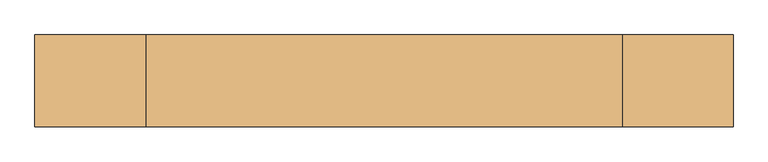
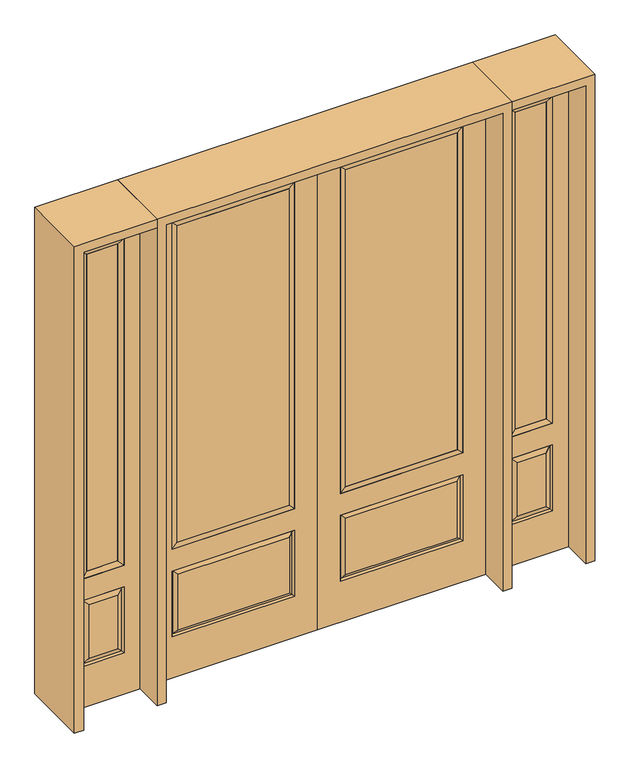
"""IFC4 building model written with IfcOpenShell, lengths in millimetres: door geometry."""

from ifc_helpers import new_model, si_unit, frame, origin, place, context, project, spatial, polyline, outline, extrude, faceted_brep, source, transform, mapped, element, save


def door_90a93804(model_context):
    return source(origin(), model_context, "Body", "SolidModel", [
        extrude(outline(polyline([(136.525, -20.32), (136.525, 5.08), (676.275, 5.08), (676.275, -20.32), (136.525, -20.32)])), frame((0.0, 0.0, 682.498), z_axis=(0.0, 0.0, 1.0), x_axis=(1.0, 0.0, 0.0)), (0.0, 0.0, 1.0), 1616.202),
        faceted_brep([(694.5661499, -12.7912373, 216.6588501), (677.06875, -22.225, 234.15625), (135.73125, -22.225, 234.15625), (118.2338501, -12.7912373, 216.6588501), (111.125, -22.225, 209.55), (701.675, -22.225, 209.55), (701.675, -22.225, 546.1), (694.5661499, -12.7912373, 538.9911499), (0.0, -22.225, 2438.4), (0.0, -22.225, 0.0), (812.8, -22.225, 0.0), (812.8, -22.225, 2438.4), (111.125, -22.225, 546.1), (111.125, -22.225, 2324.1), (701.675, -22.225, 2324.1), (701.675, -22.225, 657.098), (111.125, -22.225, 657.098), (677.06875, -22.225, 521.49375), (135.73125, -22.225, 521.49375), (118.2338501, -12.7912373, 538.9911499), (812.8, 22.225, 0.0), (812.8, 22.225, 2438.4), (0.0, 22.225, 0.0), (0.0, 22.225, 2438.4), (111.125, 22.225, 657.098), (111.125, 22.225, 2324.1), (701.675, 22.225, 657.098), (701.675, 22.225, 2324.1), (135.73125, 22.225, 234.15625), (135.73125, 22.225, 521.49375), (677.06875, 22.225, 521.49375), (677.06875, 22.225, 234.15625), (701.675, 22.225, 209.55), (701.675, 22.225, 546.1), (111.125, 22.225, 546.1), (111.125, 22.225, 209.55), (118.2338501, 12.7912373, 216.6588501), (694.5661499, 12.7912373, 216.6588501), (118.2338501, 12.7912373, 538.9911499), (694.5661499, 12.7912373, 538.9911499)], [[[0, 1, 2, 3]], [[3, 4, 5, 0]], [[5, 6, 7, 0]], [[8, 9, 10, 11], [4, 12, 6, 5], [13, 14, 15, 16]], [[1, 17, 18, 2]], [[3, 19, 12, 4]], [[2, 18, 19, 3]], [[0, 7, 17, 1]], [[6, 12, 19, 7]], [[7, 19, 18, 17]], [[10, 20, 21, 11]], [[9, 22, 20, 10]], [[8, 23, 22, 9]], [[16, 24, 25, 13]], [[15, 26, 24, 16]], [[14, 27, 26, 15]], [[28, 29, 30, 31]], [[23, 21, 20, 22], [25, 24, 26, 27], [32, 33, 34, 35]], [[32, 35, 36, 37]], [[35, 34, 38, 36]], [[39, 38, 34, 33]], [[37, 39, 33, 32]], [[36, 28, 31, 37]], [[31, 30, 39, 37]], [[30, 29, 38, 39]], [[36, 38, 29, 28]], [[11, 21, 23, 8]], [[13, 25, 27, 14]]]),
        faceted_brep([(701.675, -22.225, 2324.1), (701.675, -22.225, 657.098), (701.675, 22.225, 657.098), (701.675, 22.225, 2324.1), (111.125, -22.225, 657.098), (111.125, 22.225, 657.098), (136.525, 5.08, 682.498), (676.275, 5.08, 682.498), (111.125, -22.225, 2324.1), (111.125, 22.225, 2324.1), (676.275, -20.32, 682.498), (136.525, -20.32, 682.498), (676.275, -20.32, 2298.7), (136.525, -20.32, 2298.7), (676.275, 5.08, 2298.7), (136.525, 5.08, 2298.7)], [[[0, 1, 2, 3]], [[1, 4, 5, 2]], [[2, 5, 6, 7]], [[4, 8, 9, 5]], [[10, 11, 4, 1]], [[12, 10, 1, 0]], [[11, 13, 8, 4]], [[7, 6, 11, 10]], [[14, 7, 10, 12]], [[6, 15, 13, 11]], [[3, 2, 7, 14]], [[5, 9, 15, 6]], [[8, 0, 3, 9]], [[13, 12, 0, 8]], [[15, 14, 12, 13]], [[9, 3, 14, 15]]]),
        faceted_brep([(857.25, -22.225, 0.0), (1212.85, -22.225, 0.0), (1212.85, -22.225, 2438.4), (857.25, -22.225, 2438.4), (1135.38, -22.225, 2325.624), (1135.38, -22.225, 657.098), (934.72, -22.225, 657.098), (934.72, -22.225, 2325.624), (1135.38, -22.225, 209.55), (934.72, -22.225, 209.55), (934.72, -22.225, 546.1), (1135.38, -22.225, 546.1), (966.4351001, -22.225, 241.2651001), (1103.6648999, -22.225, 241.2651001), (1103.6648999, -22.225, 514.3848999), (966.4351001, -22.225, 514.3848999), (857.25, 22.225, 0.0), (857.25, 22.225, 2438.4), (1212.85, 22.225, 2438.4), (1212.85, 22.225, 0.0), (1135.38, 22.225, 2325.624), (934.72, 22.225, 2325.624), (934.72, 22.225, 657.098), (1135.38, 22.225, 657.098), (934.72, 22.225, 209.55), (1135.38, 22.225, 209.55), (1135.38, 22.225, 546.1), (934.72, 22.225, 546.1), (1103.6648999, 22.225, 241.2651001), (966.4351001, 22.225, 241.2651001), (966.4351001, 22.225, 514.3848999), (1103.6648999, 22.225, 514.3848999), (1128.2711499, 12.7912373, 216.6588501), (941.8288501, 12.7912373, 216.6588501), (941.8288501, 12.7912373, 538.9911499), (1128.2711499, 12.7912373, 538.9911499), (941.8288501, -12.7912373, 216.6588501), (1128.2711499, -12.7912373, 216.6588501), (941.8288501, -12.7912373, 538.9911499), (1128.2711499, -12.7912373, 538.9911499)], [[[0, 1, 2, 3], [4, 5, 6, 7], [8, 9, 10, 11]], [[12, 13, 14, 15]], [[16, 17, 18, 19], [20, 21, 22, 23], [24, 25, 26, 27]], [[28, 29, 30, 31]], [[1, 0, 16, 19]], [[2, 1, 19, 18]], [[3, 2, 18, 17]], [[0, 3, 17, 16]], [[5, 4, 20, 23]], [[6, 5, 23, 22]], [[7, 6, 22, 21]], [[4, 7, 21, 20]], [[32, 33, 29, 28]], [[33, 32, 25, 24]], [[29, 33, 34, 30]], [[33, 24, 27, 34]], [[30, 34, 35, 31]], [[34, 27, 26, 35]], [[32, 28, 31, 35]], [[25, 32, 35, 26]], [[12, 36, 37, 13]], [[37, 36, 9, 8]], [[36, 12, 15, 38]], [[9, 36, 38, 10]], [[38, 15, 14, 39]], [[10, 38, 39, 11]], [[13, 37, 39, 14]], [[37, 8, 11, 39]]]),
        faceted_brep([(934.72, 22.225, 2325.624), (934.72, -22.225, 2325.624), (1135.38, -22.225, 2325.624), (1135.38, 22.225, 2325.624), (960.12, 12.7, 2300.224), (1109.98, 12.7, 2300.224), (960.12, -12.7, 2300.224), (1109.98, -12.7, 2300.224), (1135.38, -22.225, 657.098), (1135.38, 22.225, 657.098), (1109.98, 12.7, 682.498), (1109.98, -12.7, 682.498), (934.72, -22.225, 657.098), (934.72, 22.225, 657.098), (960.12, 12.7, 682.498), (960.12, -12.7, 682.498)], [[[0, 1, 2, 3]], [[4, 0, 3, 5]], [[6, 4, 5, 7]], [[1, 6, 7, 2]], [[3, 2, 8, 9]], [[5, 3, 9, 10]], [[7, 5, 10, 11]], [[2, 7, 11, 8]], [[9, 8, 12, 13]], [[10, 9, 13, 14]], [[11, 10, 14, 15]], [[8, 11, 15, 12]], [[13, 12, 1, 0]], [[14, 13, 0, 4]], [[15, 14, 4, 6]], [[12, 15, 6, 1]]]),
        extrude(outline(polyline([(1109.98, -12.7), (960.12, -12.7), (960.12, 12.7), (1109.98, 12.7), (1109.98, -12.7)])), frame((0.0, 0.0, 682.498), z_axis=(0.0, 0.0, 1.0), x_axis=(1.0, 0.0, 0.0)), (0.0, 0.0, 1.0), 1617.726),
        faceted_brep([(-1212.85, -22.225, 0.0), (-857.25, -22.225, 0.0), (-857.25, -22.225, 2438.4), (-1212.85, -22.225, 2438.4), (-934.72, -22.225, 2325.624), (-934.72, -22.225, 657.098), (-1135.38, -22.225, 657.098), (-1135.38, -22.225, 2325.624), (-934.72, -22.225, 209.55), (-1135.38, -22.225, 209.55), (-1135.38, -22.225, 546.1), (-934.72, -22.225, 546.1), (-1103.6648999, -22.225, 241.2651001), (-966.4351001, -22.225, 241.2651001), (-966.4351001, -22.225, 514.3848999), (-1103.6648999, -22.225, 514.3848999), (-1212.85, 22.225, 0.0), (-1212.85, 22.225, 2438.4), (-857.25, 22.225, 2438.4), (-857.25, 22.225, 0.0), (-934.72, 22.225, 2325.624), (-1135.38, 22.225, 2325.624), (-1135.38, 22.225, 657.098), (-934.72, 22.225, 657.098), (-1135.38, 22.225, 209.55), (-934.72, 22.225, 209.55), (-934.72, 22.225, 546.1), (-1135.38, 22.225, 546.1), (-966.4351001, 22.225, 241.2651001), (-1103.6648999, 22.225, 241.2651001), (-1103.6648999, 22.225, 514.3848999), (-966.4351001, 22.225, 514.3848999), (-941.8288501, 12.7912373, 216.6588501), (-1128.2711499, 12.7912373, 216.6588501), (-1128.2711499, 12.7912373, 538.9911499), (-941.8288501, 12.7912373, 538.9911499), (-1128.2711499, -12.7912373, 216.6588501), (-941.8288501, -12.7912373, 216.6588501), (-1128.2711499, -12.7912373, 538.9911499), (-941.8288501, -12.7912373, 538.9911499)], [[[0, 1, 2, 3], [4, 5, 6, 7], [8, 9, 10, 11]], [[12, 13, 14, 15]], [[16, 17, 18, 19], [20, 21, 22, 23], [24, 25, 26, 27]], [[28, 29, 30, 31]], [[1, 0, 16, 19]], [[2, 1, 19, 18]], [[3, 2, 18, 17]], [[0, 3, 17, 16]], [[5, 4, 20, 23]], [[6, 5, 23, 22]], [[7, 6, 22, 21]], [[4, 7, 21, 20]], [[32, 33, 29, 28]], [[33, 32, 25, 24]], [[29, 33, 34, 30]], [[33, 24, 27, 34]], [[30, 34, 35, 31]], [[34, 27, 26, 35]], [[32, 28, 31, 35]], [[25, 32, 35, 26]], [[12, 36, 37, 13]], [[37, 36, 9, 8]], [[36, 12, 15, 38]], [[9, 36, 38, 10]], [[38, 15, 14, 39]], [[10, 38, 39, 11]], [[13, 37, 39, 14]], [[37, 8, 11, 39]]]),
        faceted_brep([(-1135.38, 22.225, 2325.624), (-1135.38, -22.225, 2325.624), (-934.72, -22.225, 2325.624), (-934.72, 22.225, 2325.624), (-1109.98, 12.7, 2300.224), (-960.12, 12.7, 2300.224), (-1109.98, -12.7, 2300.224), (-960.12, -12.7, 2300.224), (-934.72, -22.225, 657.098), (-934.72, 22.225, 657.098), (-960.12, 12.7, 682.498), (-960.12, -12.7, 682.498), (-1135.38, -22.225, 657.098), (-1135.38, 22.225, 657.098), (-1109.98, 12.7, 682.498), (-1109.98, -12.7, 682.498)], [[[0, 1, 2, 3]], [[4, 0, 3, 5]], [[6, 4, 5, 7]], [[1, 6, 7, 2]], [[3, 2, 8, 9]], [[5, 3, 9, 10]], [[7, 5, 10, 11]], [[2, 7, 11, 8]], [[9, 8, 12, 13]], [[10, 9, 13, 14]], [[11, 10, 14, 15]], [[8, 11, 15, 12]], [[13, 12, 1, 0]], [[14, 13, 0, 4]], [[15, 14, 4, 6]], [[12, 15, 6, 1]]]),
        extrude(outline(polyline([(-960.12, -12.7), (-1109.98, -12.7), (-1109.98, 12.7), (-960.12, 12.7), (-960.12, -12.7)])), frame((0.0, 0.0, 682.498), z_axis=(0.0, 0.0, 1.0), x_axis=(1.0, 0.0, 0.0)), (0.0, 0.0, 1.0), 1617.726),
        extrude(outline(polyline([(-136.525, -20.32), (-676.275, -20.32), (-676.275, 5.08), (-136.525, 5.08), (-136.525, -20.32)])), frame((0.0, 0.0, 682.498), z_axis=(0.0, 0.0, 1.0), x_axis=(1.0, 0.0, 0.0)), (0.0, 0.0, 1.0), 1616.202),
        faceted_brep([(-694.5661499, -12.7912373, 216.6588501), (-118.2338501, -12.7912373, 216.6588501), (-135.73125, -22.225, 234.15625), (-677.06875, -22.225, 234.15625), (-701.675, -22.225, 209.55), (-111.125, -22.225, 209.55), (-694.5661499, -12.7912373, 538.9911499), (-701.675, -22.225, 546.1), (-135.73125, -22.225, 521.49375), (-677.06875, -22.225, 521.49375), (0.0, -22.225, 2438.4), (-812.8, -22.225, 2438.4), (-812.8, -22.225, 0.0), (0.0, -22.225, 0.0), (-111.125, -22.225, 546.1), (-111.125, -22.225, 2324.1), (-111.125, -22.225, 657.098), (-701.675, -22.225, 657.098), (-701.675, -22.225, 2324.1), (-118.2338501, -12.7912373, 538.9911499), (-812.8, 22.225, 2438.4), (-812.8, 22.225, 0.0), (0.0, 22.225, 0.0), (0.0, 22.225, 2438.4), (-111.125, 22.225, 2324.1), (-111.125, 22.225, 657.098), (-701.675, 22.225, 657.098), (-701.675, 22.225, 2324.1), (-701.675, 22.225, 209.55), (-111.125, 22.225, 209.55), (-111.125, 22.225, 546.1), (-701.675, 22.225, 546.1), (-135.73125, 22.225, 234.15625), (-677.06875, 22.225, 234.15625), (-677.06875, 22.225, 521.49375), (-135.73125, 22.225, 521.49375), (-694.5661499, 12.7912373, 216.6588501), (-118.2338501, 12.7912373, 216.6588501), (-118.2338501, 12.7912373, 538.9911499), (-694.5661499, 12.7912373, 538.9911499)], [[[0, 1, 2, 3]], [[1, 0, 4, 5]], [[4, 0, 6, 7]], [[3, 2, 8, 9]], [[10, 11, 12, 13], [5, 4, 7, 14], [15, 16, 17, 18]], [[1, 5, 14, 19]], [[2, 1, 19, 8]], [[0, 3, 9, 6]], [[7, 6, 19, 14]], [[6, 9, 8, 19]], [[12, 11, 20, 21]], [[13, 12, 21, 22]], [[10, 13, 22, 23]], [[16, 15, 24, 25]], [[17, 16, 25, 26]], [[18, 17, 26, 27]], [[23, 22, 21, 20], [28, 29, 30, 31], [24, 27, 26, 25]], [[32, 33, 34, 35]], [[28, 36, 37, 29]], [[29, 37, 38, 30]], [[39, 31, 30, 38]], [[36, 28, 31, 39]], [[37, 36, 33, 32]], [[33, 36, 39, 34]], [[34, 39, 38, 35]], [[37, 32, 35, 38]], [[11, 10, 23, 20]], [[15, 18, 27, 24]]]),
        faceted_brep([(-701.675, -22.225, 2324.1), (-701.675, 22.225, 2324.1), (-701.675, 22.225, 657.098), (-701.675, -22.225, 657.098), (-111.125, 22.225, 657.098), (-111.125, -22.225, 657.098), (-676.275, 5.08, 682.498), (-136.525, 5.08, 682.498), (-111.125, 22.225, 2324.1), (-111.125, -22.225, 2324.1), (-676.275, -20.32, 682.498), (-136.525, -20.32, 682.498), (-676.275, -20.32, 2298.7), (-136.525, -20.32, 2298.7), (-676.275, 5.08, 2298.7), (-136.525, 5.08, 2298.7)], [[[0, 1, 2, 3]], [[3, 2, 4, 5]], [[2, 6, 7, 4]], [[5, 4, 8, 9]], [[10, 3, 5, 11]], [[12, 0, 3, 10]], [[11, 5, 9, 13]], [[6, 10, 11, 7]], [[14, 12, 10, 6]], [[7, 11, 13, 15]], [[1, 14, 6, 2]], [[4, 7, 15, 8]], [[9, 8, 1, 0]], [[13, 9, 0, 12]], [[15, 13, 12, 14]], [[8, 15, 14, 1]]]),
        extrude(outline(polyline([(2438.4, -857.25), (2482.85, -857.25), (2482.85, -1257.3), (0.0, -1257.3), (0.0, -1212.85), (2438.4, -1212.85), (2438.4, -857.25)])), frame((0.0, -165.1, 0.0), z_axis=(0.0, 1.0, 0.0), x_axis=(0.0, 0.0, 1.0)), (0.0, 0.0, 1.0), 330.2),
        extrude(outline(polyline([(2482.85, -857.25), (0.0, -857.25), (0.0, -812.8), (2438.4, -812.8), (2438.4, 812.8), (0.0, 812.8), (0.0, 857.25), (2482.85, 857.25), (2482.85, -857.25)])), frame((0.0, -165.1, 0.0), z_axis=(0.0, 1.0, 0.0), x_axis=(0.0, 0.0, 1.0)), (0.0, 0.0, 1.0), 330.2),
        extrude(outline(polyline([(0.0, 1212.85), (0.0, 1257.3), (2482.85, 1257.3), (2482.85, 857.25), (2438.4, 857.25), (2438.4, 1212.85), (0.0, 1212.85)])), frame((0.0, -165.1, 0.0), z_axis=(0.0, 1.0, 0.0), x_axis=(0.0, 0.0, 1.0)), (0.0, 0.0, 1.0), 330.2),
    ])


if __name__ == "__main__":
    model = new_model("IFC4")
    model_context = context("Model", 3, world=origin())
    ifc_project = project(units=[si_unit("LENGTHUNIT", "METRE", prefix="MILLI")], contexts=[model_context])
    site = spatial("IfcSite", under=ifc_project)
    building = spatial("IfcBuilding", under=site)
    placement = place(None, origin())
    door_shape = door_90a93804(model_context)
    element("IfcDoor", 1, at=placement, inside=building, context=model_context, shape_type="MappedRepresentation", body=[
        mapped(door_shape, transform((0.0, 0.0, 0.0), x_axis=(1.0, 0.0, 0.0), y_axis=(0.0, 1.0, 0.0), z_axis=(0.0, 0.0, 1.0))),
    ])
    save(model, "model.ifc")
